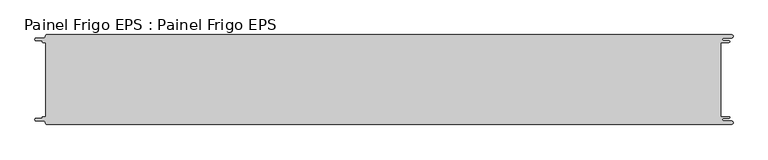
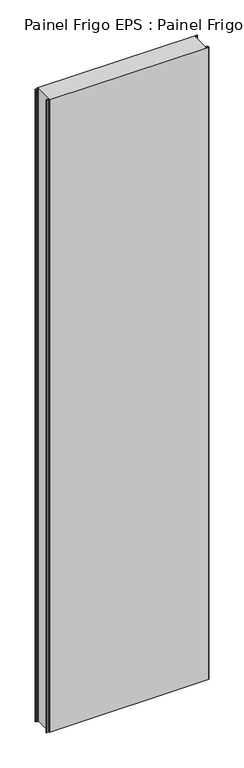
"""IFC4 building model written with IfcOpenShell, lengths in millimetres: proxy geometry, Painel Frigo EPS : Painel Frigo EPS."""

from ifc_helpers import new_model, si_unit, frame, origin, place, context, project, spatial, polyline, circle_curve, source, transform, mapped, element, save
from ifc_brep_helpers import plane_surface, cylinder_surface, revolved_surface, advanced_brep


def painel_frigo_eps_painel_frigo_eps_09503582(model_context):
    return source(origin(), model_context, "Body", "AdvancedBrep", [
        advanced_brep(
        [(-579.5093748, -62.3, 4800.0), (-580.1093748, -62.9, 4800.0), (-580.1093748, -63.7085184, 4800.0), (-581.5093751, -65.1085187, 4800.0), (-590.4875, -65.1085187, 4800.0), (-590.4875, -69.5085185, 4800.0), (-578.471875, -69.5085185, 4800.0), (-574.921875, -73.0585185, 4800.0), (-572.971875, -75.0, 4800.0), (572.284375, -75.0, 4800.0), (572.284375, -69.725, 4800.0), (559.378125, -69.725, 4800.0), (559.378125, -64.875, 4800.0), (568.0406253, -64.875, 4800.0), (568.0406253, -62.3, 4800.0), (554.1906253, -62.3, 4800.0), (554.1906253, 62.3, 4800.0), (568.0406253, 62.3, 4800.0), (568.0406253, 64.875, 4800.0), (559.378125, 64.875, 4800.0), (559.378125, 69.725, 4800.0), (572.284375, 69.725, 4800.0), (572.284375, 75.0, 4800.0), (-572.971875, 75.0, 4800.0), (-574.921875, 73.05, 4800.0), (-578.471875, 69.5085185, 4800.0), (-590.4875, 69.5085185, 4800.0), (-590.4875, 65.1085185, 4800.0), (-581.5093753, 65.1085185, 4800.0), (-580.1093753, 63.7085185, 4800.0), (-580.1093753, 62.9, 4800.0), (-579.5093748, 62.2999995, 4800.0), (-574.2218362, 62.2999995, 4800.0), (-574.2218362, -62.3, 4800.0), (-579.5093748, -62.3, 0.0), (-574.2218362, -62.3, 0.0), (-574.2218362, 62.2999995, 0.0), (-579.5093748, 62.2999995, 0.0), (-580.1093753, 62.9, 0.0), (-580.1093753, 63.7085185, 0.0), (-581.5093753, 65.1085185, 0.0), (-590.4875, 65.1085185, 0.0), (-590.4875, 69.5085185, 0.0), (-578.471875, 69.5085185, 0.0), (-574.921875, 73.0585185, 0.0), (-572.971875, 75.0, 0.0), (572.284375, 75.0, 0.0), (572.284375, 69.725, 0.0), (559.378125, 69.725, 0.0), (559.378125, 64.875, 0.0), (568.0406253, 64.875, 0.0), (568.0406253, 62.3, 0.0), (554.1906253, 62.3, 0.0), (554.1906253, -62.3, 0.0), (568.0406253, -62.3, 0.0), (568.0406253, -64.875, 0.0), (559.378125, -64.875, 0.0), (559.378125, -69.725, 0.0), (572.284375, -69.725, 0.0), (572.284375, -75.0, 0.0), (-572.971875, -75.0, 0.0), (-574.921875, -73.05, 0.0), (-578.471875, -69.5085185, 0.0), (-590.4875, -69.5085185, 0.0), (-590.4875, -65.1085187, 0.0), (-581.5093751, -65.1085187, 0.0), (-580.1093748, -63.7085184, 0.0), (-580.1093748, -62.9, 0.0)],
        [
            (0, 1, circle_curve(frame((-579.5093748, -62.9, 4800.0), z_axis=(0.0, 0.0, 1.0), x_axis=(1.0, 0.0, 0.0)), 0.6)),
            (1, 2),
            (2, 3, circle_curve(frame((-581.5093751, -63.7085184, 4800.0), z_axis=(0.0, 0.0, -1.0), x_axis=(1.0, 0.0, 0.0)), 1.4000003)),
            (3, 4),
            (4, 5, circle_curve(frame((-590.4875, -67.3085186, 4800.0), z_axis=(0.0, 0.0, 1.0), x_axis=(1.0, 0.0, 0.0)), 2.1999999)),
            (5, 6),
            (6, 7, circle_curve(frame((-578.471875, -73.0585185, 4800.0), z_axis=(0.0, 0.0, -1.0), x_axis=(1.0, 0.0, 0.0)), 3.55)),
            (7, 8, circle_curve(frame((-572.971875, -73.05, 4800.0), z_axis=(0.0, 0.0, 1.0), x_axis=(1.0, 0.0, 0.0)), 1.95)),
            (8, 9),
            (9, 10, circle_curve(frame((572.284375, -72.3625, 4800.0), z_axis=(0.0, 0.0, 1.0), x_axis=(1.0, 0.0, 0.0)), 2.6375)),
            (10, 11),
            (11, 12, circle_curve(frame((559.378125, -67.3, 4800.0), z_axis=(0.0, 0.0, -1.0), x_axis=(1.0, 0.0, 0.0)), 2.425)),
            (12, 13),
            (13, 14, circle_curve(frame((568.0406253, -63.5875, 4800.0), z_axis=(0.0, 0.0, 1.0), x_axis=(1.0, 0.0, 0.0)), 1.2875)),
            (14, 15),
            (15, 16),
            (16, 17),
            (17, 18, circle_curve(frame((568.0406253, 63.5875, 4800.0), z_axis=(0.0, 0.0, 1.0), x_axis=(1.0, 0.0, 0.0)), 1.2875)),
            (18, 19),
            (19, 20, circle_curve(frame((559.378125, 67.3, 4800.0), z_axis=(0.0, 0.0, -1.0), x_axis=(1.0, 0.0, 0.0)), 2.425)),
            (20, 21),
            (21, 22, circle_curve(frame((572.284375, 72.3625, 4800.0), z_axis=(0.0, 0.0, 1.0), x_axis=(1.0, 0.0, 0.0)), 2.6375)),
            (22, 23),
            (23, 24, circle_curve(frame((-572.971875, 73.05, 4800.0), z_axis=(0.0, 0.0, 1.0), x_axis=(1.0, 0.0, 0.0)), 1.95)),
            (24, 25, circle_curve(frame((-578.471875, 73.0585185, 4800.0), z_axis=(0.0, 0.0, -1.0), x_axis=(1.0, 0.0, 0.0)), 3.55)),
            (25, 26),
            (26, 27, circle_curve(frame((-590.4875, 67.3085185, 4800.0), z_axis=(0.0, 0.0, 1.0), x_axis=(1.0, 0.0, 0.0)), 2.2)),
            (27, 28),
            (28, 29, circle_curve(frame((-581.5093753, 63.7085185, 4800.0), z_axis=(0.0, 0.0, -1.0), x_axis=(1.0, 0.0, 0.0)), 1.4)),
            (29, 30),
            (30, 31, circle_curve(frame((-579.5093748, 62.9, 4800.0), z_axis=(0.0, 0.0, 1.0), x_axis=(1.0, 0.0, 0.0)), 0.6000005)),
            (31, 32),
            (32, 33),
            (33, 0),
            (34, 35),
            (35, 36),
            (36, 37),
            (37, 38, circle_curve(frame((-579.5093748, 62.9, 0.0), z_axis=(0.0, 0.0, -1.0), x_axis=(1.0, 0.0, 0.0)), 0.6000005)),
            (38, 39),
            (39, 40, circle_curve(frame((-581.5093753, 63.7085185, 0.0), z_axis=(0.0, 0.0, 1.0), x_axis=(1.0, 0.0, 0.0)), 1.4)),
            (40, 41),
            (41, 42, circle_curve(frame((-590.4875, 67.3085185, 0.0), z_axis=(0.0, 0.0, -1.0), x_axis=(1.0, 0.0, 0.0)), 2.2)),
            (42, 43),
            (43, 44, circle_curve(frame((-578.471875, 73.0585185, 0.0), z_axis=(0.0, 0.0, 1.0), x_axis=(1.0, 0.0, 0.0)), 3.55)),
            (44, 45, circle_curve(frame((-572.971875, 73.05, 0.0), z_axis=(0.0, 0.0, -1.0), x_axis=(1.0, 0.0, 0.0)), 1.95)),
            (45, 46),
            (46, 47, circle_curve(frame((572.284375, 72.3625, 0.0), z_axis=(0.0, 0.0, -1.0), x_axis=(1.0, 0.0, 0.0)), 2.6375)),
            (47, 48),
            (48, 49, circle_curve(frame((559.378125, 67.3, 0.0), z_axis=(0.0, 0.0, 1.0), x_axis=(1.0, 0.0, 0.0)), 2.425)),
            (49, 50),
            (50, 51, circle_curve(frame((568.0406253, 63.5875, 0.0), z_axis=(0.0, 0.0, -1.0), x_axis=(1.0, 0.0, 0.0)), 1.2875)),
            (51, 52),
            (52, 53),
            (53, 54),
            (54, 55, circle_curve(frame((568.0406253, -63.5875, 0.0), z_axis=(0.0, 0.0, -1.0), x_axis=(1.0, 0.0, 0.0)), 1.2875)),
            (55, 56),
            (56, 57, circle_curve(frame((559.378125, -67.3, 0.0), z_axis=(0.0, 0.0, 1.0), x_axis=(1.0, 0.0, 0.0)), 2.425)),
            (57, 58),
            (58, 59, circle_curve(frame((572.284375, -72.3625, 0.0), z_axis=(0.0, 0.0, -1.0), x_axis=(1.0, 0.0, 0.0)), 2.6375)),
            (59, 60),
            (60, 61, circle_curve(frame((-572.971875, -73.05, 0.0), z_axis=(0.0, 0.0, -1.0), x_axis=(1.0, 0.0, 0.0)), 1.95)),
            (61, 62, circle_curve(frame((-578.471875, -73.0585185, 0.0), z_axis=(0.0, 0.0, 1.0), x_axis=(1.0, 0.0, 0.0)), 3.55)),
            (62, 63),
            (63, 64, circle_curve(frame((-590.4875, -67.3085186, 0.0), z_axis=(0.0, 0.0, -1.0), x_axis=(1.0, 0.0, 0.0)), 2.1999999)),
            (64, 65),
            (65, 66, circle_curve(frame((-581.5093751, -63.7085184, 0.0), z_axis=(0.0, 0.0, 1.0), x_axis=(1.0, 0.0, 0.0)), 1.4000003)),
            (66, 67),
            (67, 34, circle_curve(frame((-579.5093748, -62.9, 0.0), z_axis=(0.0, 0.0, -1.0), x_axis=(1.0, 0.0, 0.0)), 0.6)),
            (22, 46),
            (45, 23),
            (8, 60),
            (59, 9),
            (33, 35),
            (34, 0),
            (32, 36),
            (31, 37),
            (30, 38),
            (29, 39),
            (28, 40),
            (27, 41),
            (26, 42),
            (25, 43),
            (24, 44),
            (15, 53),
            (52, 16),
            (14, 54),
            (13, 55),
            (12, 56),
            (11, 57),
            (10, 58),
            (7, 61),
            (6, 62),
            (5, 63),
            (4, 64),
            (3, 65),
            (2, 66),
            (1, 67),
            (21, 47),
            (20, 48),
            (19, 49),
            (18, 50),
            (17, 51),
        ],
        [
            plane_surface(frame((-574.2218362, -62.3, 4800.0), z_axis=(0.0, 0.0, 1.0), x_axis=(1.0, 0.0, 0.0))),
            plane_surface(frame((-574.2218362, -62.3, 0.0), z_axis=(0.0, 0.0, -1.0), x_axis=(-1.0, 0.0, 0.0))),
            plane_surface(frame((-572.971875, 75.0, 4800.0), z_axis=(0.0, 1.0, 0.0), x_axis=(0.0, 0.0, -1.0))),
            plane_surface(frame((572.284375, -75.0, 4800.0), z_axis=(0.0, -1.0, 0.0), x_axis=(0.0, 0.0, -1.0))),
            plane_surface(frame((-579.5093748, -62.3, 4800.0), z_axis=(0.0, 1.0, 0.0), x_axis=(0.0, 0.0, -1.0))),
            plane_surface(frame((-574.2218362, -62.3, 4800.0), z_axis=(-1.0, 0.0, 0.0), x_axis=(0.0, 0.0, -1.0))),
            plane_surface(frame((-574.2218362, 62.2999995, 4800.0), z_axis=(0.0, -1.0, 0.0), x_axis=(0.0, 0.0, -1.0))),
            cylinder_surface(frame((-579.5093748, 62.9, 0.0), z_axis=(0.0, 0.0, 1.0), x_axis=(1.0, 0.0, 0.0)), 0.6000005),
            plane_surface(frame((-580.1093753, 62.9, 4800.0), z_axis=(-1.0, -1.757860866232952e-12, 0.0), x_axis=(0.0, 0.0, -1.0))),
            revolved_surface(polyline([(-580.1093753, 63.7085185, 0.0), (-580.1093753, 63.7085185, 4800.0)]), (-581.5093753, 63.7085185, 0.0), (0.0, 0.0, -1.0)),
            plane_surface(frame((-581.5093753, 65.1085185, 4800.0), z_axis=(0.0, -1.0, 0.0), x_axis=(0.0, 0.0, -1.0))),
            cylinder_surface(frame((-590.4875, 67.3085185, 0.0), z_axis=(0.0, 0.0, 1.0), x_axis=(1.0, 0.0, 0.0)), 2.2),
            plane_surface(frame((-590.4875, 69.5085185, 4800.0), z_axis=(0.0, 1.0, 0.0), x_axis=(0.0, 0.0, -1.0))),
            revolved_surface(polyline([(-574.921875, 73.0585185, 0.0), (-574.921875, 73.0585185, 4800.0)]), (-578.471875, 73.0585185, 0.0), (0.0, 0.0, -1.0)),
            cylinder_surface(frame((-572.971875, 73.05, 0.0), z_axis=(0.0, 0.0, 1.0), x_axis=(1.0, 0.0, 0.0)), 1.95),
            plane_surface(frame((554.1906253, 62.3, 4800.0), z_axis=(1.0, 0.0, 0.0), x_axis=(0.0, 0.0, -1.0))),
            plane_surface(frame((554.1906253, -62.3, 4800.0), z_axis=(0.0, 1.0, 0.0), x_axis=(0.0, 0.0, -1.0))),
            cylinder_surface(frame((568.0406253, -63.5875, 0.0), z_axis=(0.0, 0.0, 1.0), x_axis=(1.0, 0.0, 0.0)), 1.2875),
            plane_surface(frame((568.0406253, -64.875, 4800.0), z_axis=(0.0, -1.0, 0.0), x_axis=(0.0, 0.0, -1.0))),
            revolved_surface(polyline([(561.8031249999999, -67.3, 0.0), (561.8031249999999, -67.3, 4800.0)]), (559.378125, -67.3, 0.0), (0.0, 0.0, -1.0)),
            plane_surface(frame((559.378125, -69.725, 4800.0), z_axis=(0.0, 1.0, 0.0), x_axis=(0.0, 0.0, -1.0))),
            cylinder_surface(frame((572.284375, -72.3625, 0.0), z_axis=(0.0, 0.0, 1.0), x_axis=(1.0, 0.0, 0.0)), 2.6375),
            cylinder_surface(frame((-572.971875, -73.05, 0.0), z_axis=(0.0, 0.0, 1.0), x_axis=(1.0, 0.0, 0.0)), 1.95),
            revolved_surface(polyline([(-574.921875, -73.0585185, 0.0), (-574.921875, -73.0585185, 4800.0)]), (-578.471875, -73.0585185, 0.0), (0.0, 0.0, -1.0)),
            plane_surface(frame((-578.471875, -69.5085185, 4800.0), z_axis=(0.0, -1.0, 0.0), x_axis=(0.0, 0.0, -1.0))),
            cylinder_surface(frame((-590.4875, -67.3085186, 0.0), z_axis=(0.0, 0.0, 1.0), x_axis=(1.0, 0.0, 0.0)), 2.1999999),
            plane_surface(frame((-590.4875, -65.1085187, 4800.0), z_axis=(0.0, 1.0, 0.0), x_axis=(0.0, 0.0, -1.0))),
            revolved_surface(polyline([(-580.1093748000001, -63.7085184, 0.0), (-580.1093748000001, -63.7085184, 4800.0)]), (-581.5093751, -63.7085184, 0.0), (0.0, 0.0, -1.0)),
            plane_surface(frame((-580.1093748, -63.7085184, 4800.0), z_axis=(-1.0, 0.0, 0.0), x_axis=(0.0, 0.0, -1.0))),
            cylinder_surface(frame((-579.5093748, -62.9, 0.0), z_axis=(0.0, 0.0, 1.0), x_axis=(1.0, 0.0, 0.0)), 0.6),
            cylinder_surface(frame((572.284375, 72.3625, 0.0), z_axis=(0.0, 0.0, 1.0), x_axis=(1.0, 0.0, 0.0)), 2.6375),
            plane_surface(frame((572.284375, 69.725, 4800.0), z_axis=(0.0, -1.0, 0.0), x_axis=(0.0, 0.0, -1.0))),
            revolved_surface(polyline([(561.8031249999999, 67.3, 0.0), (561.8031249999999, 67.3, 4800.0)]), (559.378125, 67.3, 0.0), (0.0, 0.0, -1.0)),
            plane_surface(frame((559.378125, 64.875, 4800.0), z_axis=(0.0, 1.0, 0.0), x_axis=(0.0, 0.0, -1.0))),
            cylinder_surface(frame((568.0406253, 63.5875, 0.0), z_axis=(0.0, 0.0, 1.0), x_axis=(1.0, 0.0, 0.0)), 1.2875),
            plane_surface(frame((568.0406253, 62.3, 4800.0), z_axis=(0.0, -1.0, 0.0), x_axis=(0.0, 0.0, -1.0))),
        ],
        [
            (0, [[1, 2, 3, 4, 5, 6, 7, 8, 9, 10, 11, 12, 13, 14, 15, 16, 17, 18, 19, 20, 21, 22, 23, 24, 25, 26, 27, 28, 29, 30, 31, 32, 33, 34]]),
            (1, [[35, 36, 37, 38, 39, 40, 41, 42, 43, 44, 45, 46, 47, 48, 49, 50, 51, 52, 53, 54, 55, 56, 57, 58, 59, 60, 61, 62, 63, 64, 65, 66, 67, 68]]),
            (2, [[69, -46, 70, -23]]),
            (3, [[71, -60, 72, -9]]),
            (4, [[73, -35, 74, -34]]),
            (5, [[75, -36, -73, -33]]),
            (6, [[76, -37, -75, -32]]),
            (7, [[77, -38, -76, -31]]),
            (8, [[78, -39, -77, -30]]),
            (9, [[79, -40, -78, -29]]),
            (10, [[80, -41, -79, -28]]),
            (11, [[81, -42, -80, -27]]),
            (12, [[82, -43, -81, -26]]),
            (13, [[83, -44, -82, -25]]),
            (14, [[-70, -45, -83, -24]]),
            (15, [[84, -53, 85, -16]]),
            (16, [[86, -54, -84, -15]]),
            (17, [[87, -55, -86, -14]]),
            (18, [[88, -56, -87, -13]]),
            (19, [[89, -57, -88, -12]]),
            (20, [[90, -58, -89, -11]]),
            (21, [[-72, -59, -90, -10]]),
            (22, [[91, -61, -71, -8]]),
            (23, [[92, -62, -91, -7]]),
            (24, [[93, -63, -92, -6]]),
            (25, [[94, -64, -93, -5]]),
            (26, [[95, -65, -94, -4]]),
            (27, [[96, -66, -95, -3]]),
            (28, [[97, -67, -96, -2]]),
            (29, [[-74, -68, -97, -1]]),
            (30, [[98, -47, -69, -22]]),
            (31, [[99, -48, -98, -21]]),
            (32, [[100, -49, -99, -20]]),
            (33, [[101, -50, -100, -19]]),
            (34, [[102, -51, -101, -18]]),
            (35, [[-85, -52, -102, -17]]),
        ],
    ),
    ])


if __name__ == "__main__":
    model = new_model("IFC4")
    model_context = context("Model", 3, world=origin())
    ifc_project = project(units=[si_unit("LENGTHUNIT", "METRE", prefix="MILLI")], contexts=[model_context])
    site = spatial("IfcSite", under=ifc_project)
    building = spatial("IfcBuilding", under=site)
    placement = place(None, origin())
    painel_frigo_eps_painel_frigo_eps_shape = painel_frigo_eps_painel_frigo_eps_09503582(model_context)
    element("IfcBuildingElementProxy", 1, Name="Painel Frigo EPS : Painel Frigo EPS", ObjectType="Painel Frigo EPS : Painel Frigo EPS", at=placement, inside=building, context=model_context, shape_type="MappedRepresentation", body=[
        mapped(painel_frigo_eps_painel_frigo_eps_shape, transform((0.0, 0.0, 0.0), x_axis=(1.0, 0.0, 0.0), y_axis=(0.0, 1.0, 0.0), z_axis=(0.0, 0.0, 1.0))),
    ])
    save(model, "model.ifc")
